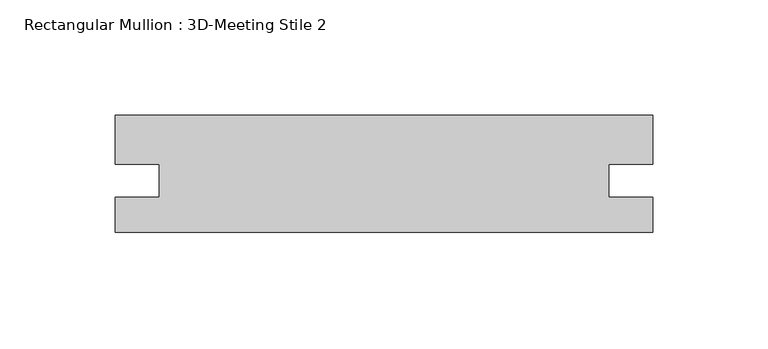
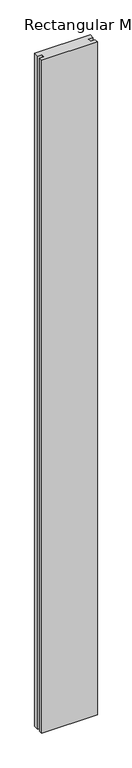
"""IFC4 building model written with IfcOpenShell, lengths in millimetres: member geometry, Rectangular Mullion : 3D-Meeting Stile 2."""

from ifc_helpers import new_model, si_unit, frame, origin, place, context, project, spatial, polyline, outline, extrude, source, transform, mapped, element, save


def rectangular_mullion_3d_meeting_stile_2_cc8f38d0(model_context):
    return source(origin(), model_context, "Body", "SweptSolid", [
        extrude(outline(polyline([(-117.2900104, 9.525), (-117.2900104, 24.62403), (-98.2654104, 24.62403), (-98.2654104, 38.9407289), (-117.2900092, 38.9407289), (-117.2900092, 60.325), (116.0581092, 60.325), (116.0581092, 38.9407289), (97.0335104, 38.9407289), (97.0335104, 24.6240287), (116.0581104, 24.6240287), (116.0581104, 9.525), (-117.2900104, 9.525)])), frame((0.0, 0.0, -2984.5), z_axis=(0.0, 0.0, 1.0), x_axis=(1.0, 0.0, 0.0)), (0.0, 0.0, 1.0), 2984.5),
    ])


if __name__ == "__main__":
    model = new_model("IFC4")
    model_context = context("Model", 3, world=origin())
    ifc_project = project(units=[si_unit("LENGTHUNIT", "METRE", prefix="MILLI")], contexts=[model_context])
    site = spatial("IfcSite", under=ifc_project)
    building = spatial("IfcBuilding", under=site)
    placement = place(None, origin())
    rectangular_mullion_3d_meeting_stile_2_shape = rectangular_mullion_3d_meeting_stile_2_cc8f38d0(model_context)
    element("IfcMember", 1, ObjectType="Rectangular Mullion : 3D-Meeting Stile 2", at=placement, inside=building, context=model_context, shape_type="MappedRepresentation", body=[
        mapped(rectangular_mullion_3d_meeting_stile_2_shape, transform((0.0, 0.0, 0.0), x_axis=(1.0, 0.0, 0.0), y_axis=(0.0, 1.0, 0.0), z_axis=(0.0, 0.0, 1.0))),
    ])
    save(model, "model.ifc")
